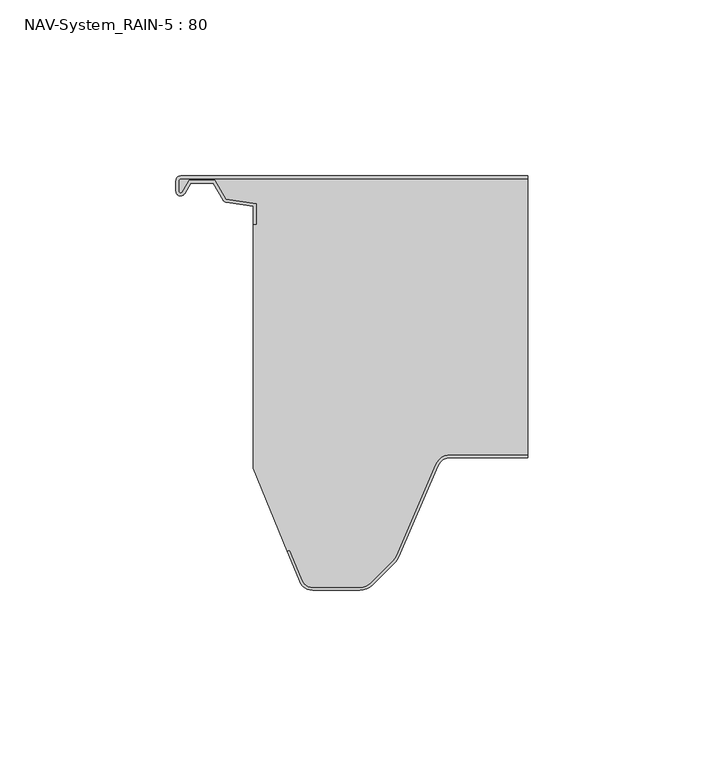
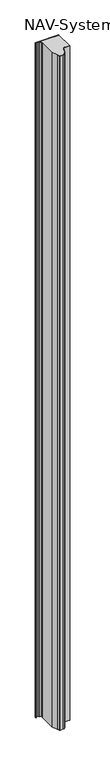
"""IFC4 building model written with IfcOpenShell, lengths in millimetres: plate geometry, NAV-System_RAIN-5 : 80."""

from ifc_helpers import new_model, si_unit, point, frame_2d, origin, origin_with_axes, place, context, project, spatial, polyline, circle_curve, trimmed, segment, composite_curve, outline, extrude, source, transform, mapped, element, save


def nav_system_rain_5_80_36668594(model_context):
    return source(origin(), model_context, "Body", "SweptSolid", [
        extrude(outline(composite_curve([segment(trimmed(circle_curve(frame_2d((-48.7, -1.3)), 0.5), [point((-48.7, -0.8))], [point((-49.2, -1.3))], True, "CARTESIAN"), True, "CONTINUOUS"), segment(polyline([(-49.2, -1.3), (-49.2, -4.3700191)]), True, "CONTINUOUS"), segment(trimmed(circle_curve(frame_2d((-48.7, -4.3700191)), 0.5), [point((-49.2, -4.3700191))], [point((-48.2669873, -4.6200191))], True, "CARTESIAN"), True, "CONTINUOUS"), segment(polyline([(-48.2669873, -4.6200191), (-46.2924383, -1.2), (-38.9841833, -1.2), (-35.8164586, -6.6866602), (-27.2, -7.898332), (-27.2, -13.6767555), (-28.0, -13.6767555), (-28.0, -8.5937048), (-35.6863953, -7.5128213)]), True, "CONTINUOUS"), segment(trimmed(circle_curve(frame_2d((-35.5053666, -6.2254873)), 1.3), [point((-35.6863953, -7.5128213))], [point((-36.6311996, -6.8754873))], False, "CARTESIAN"), True, "CONTINUOUS"), segment(polyline([(-36.6311996, -6.8754873), (-39.4460636, -2.0), (-45.8305581, -2.0), (-47.574167, -5.0200191)]), True, "CONTINUOUS"), segment(trimmed(circle_curve(frame_2d((-48.7, -4.3700191)), 1.3), [point((-47.574167, -5.0200191))], [point((-50.0, -4.3700191))], False, "CARTESIAN"), True, "CONTINUOUS"), segment(polyline([(-50.0, -4.3700191), (-50.0, -1.3)]), True, "CONTINUOUS"), segment(trimmed(circle_curve(frame_2d((-48.7, -1.3)), 1.3), [point((-50.0, -1.3))], [point((-48.7, 0.0))], False, "CARTESIAN"), True, "CONTINUOUS"), segment(polyline([(-48.7, 0.0), (50.0, 0.0), (50.0, -0.8), (-48.7, -0.8)]), True, "CONTINUOUS")], self_intersect=False)), origin_with_axes(), (0.0, 0.0, 1.0), 3000.0),
        extrude(outline(composite_curve([segment(trimmed(circle_curve(frame_2d((28.0709249, -84.0)), 4.8), [point((28.0709249, -79.2))], [point((23.6607271, -82.1052295))], True, "CARTESIAN"), True, "CONTINUOUS"), segment(polyline([(23.6607271, -82.1052295), (12.5754349, -107.9069459)]), True, "CONTINUOUS"), segment(trimmed(circle_curve(frame_2d((8.7165118, -106.2490217)), 4.2), [point((12.5754349, -107.9069459))], [point((11.6863603, -109.2188701))], False, "CARTESIAN"), True, "CONTINUOUS"), segment(polyline([(11.6863603, -109.2188701), (5.235382, -115.6698485)]), True, "CONTINUOUS"), segment(trimmed(circle_curve(frame_2d((2.2655335, -112.7)), 4.2), [point((5.235382, -115.6698485))], [point((2.2655335, -116.9))], False, "CARTESIAN"), True, "CONTINUOUS"), segment(polyline([(2.2655335, -116.9), (-11.1405186, -116.9)]), True, "CONTINUOUS"), segment(trimmed(circle_curve(frame_2d((-11.1405186, -113.7)), 3.2), [point((-11.1405186, -116.9))], [point((-14.1022482, -114.9116756))], False, "CARTESIAN"), True, "CONTINUOUS"), segment(polyline([(-14.1022482, -114.9116756), (-17.6292254, -106.2905951), (-18.3696578, -106.593514), (-28.0, -83.053822), (-28.0, -13.6767555), (-27.2, -13.6767555), (-27.2, -7.898332), (-35.8164586, -6.6866602), (-38.9841833, -1.2), (-46.2924383, -1.2), (-48.2669873, -4.6200191)]), True, "CONTINUOUS"), segment(trimmed(circle_curve(frame_2d((-48.7, -4.3700191)), 0.5), [point((-48.2669873, -4.6200191))], [point((-49.2, -4.3700191))], False, "CARTESIAN"), True, "CONTINUOUS"), segment(polyline([(-49.2, -4.3700191), (-49.2, -1.3)]), True, "CONTINUOUS"), segment(trimmed(circle_curve(frame_2d((-48.7, -1.3)), 0.5), [point((-49.2, -1.3))], [point((-48.7, -0.8))], False, "CARTESIAN"), True, "CONTINUOUS"), segment(polyline([(-48.7, -0.8), (50.0, -0.8), (50.0, -79.2), (28.0709249, -79.2)]), True, "CONTINUOUS")], self_intersect=False)), origin_with_axes(), (0.0, 0.0, 1.0), 3000.0),
        extrude(outline(composite_curve([segment(polyline([(-14.8430228, -115.2145945), (-18.37, -106.593514), (-17.6295676, -106.2905951), (-14.1025904, -114.9116756)]), True, "CONTINUOUS"), segment(trimmed(circle_curve(frame_2d((-11.1408608, -113.7)), 3.2), [point((-14.1025904, -114.9116756))], [point((-11.1408608, -116.9))], True, "CARTESIAN"), True, "CONTINUOUS"), segment(polyline([(-11.1408608, -116.9), (2.2651913, -116.9)]), True, "CONTINUOUS"), segment(trimmed(circle_curve(frame_2d((2.2651913, -112.7)), 4.2), [point((2.2651913, -116.9))], [point((5.2350397, -115.6698485))], True, "CARTESIAN"), True, "CONTINUOUS"), segment(polyline([(5.2350397, -115.6698485), (11.6860181, -109.2188701)]), True, "CONTINUOUS"), segment(trimmed(circle_curve(frame_2d((8.7161696, -106.2490217)), 4.2), [point((11.6860181, -109.2188701))], [point((12.5750927, -107.9069459))], True, "CARTESIAN"), True, "CONTINUOUS"), segment(polyline([(12.5750927, -107.9069459), (23.6603849, -82.1052295)]), True, "CONTINUOUS"), segment(trimmed(circle_curve(frame_2d((28.0705827, -84.0)), 4.8), [point((23.6603849, -82.1052295))], [point((28.0705827, -79.2))], False, "CARTESIAN"), True, "CONTINUOUS"), segment(polyline([(28.0705827, -79.2), (50.0, -79.2), (50.0, -80.0), (28.0705827, -80.0)]), True, "CONTINUOUS"), segment(trimmed(circle_curve(frame_2d((28.0705827, -84.0)), 4.0), [point((28.0705827, -80.0))], [point((24.3954178, -82.4210246))], True, "CARTESIAN"), True, "CONTINUOUS"), segment(polyline([(24.3954178, -82.4210246), (13.3101256, -108.2227409)]), True, "CONTINUOUS"), segment(trimmed(circle_curve(frame_2d((8.7161696, -106.2490217)), 5.0), [point((13.3101256, -108.2227409))], [point((12.2517035, -109.7845556))], False, "CARTESIAN"), True, "CONTINUOUS"), segment(polyline([(12.2517035, -109.7845556), (5.8007252, -116.2355339)]), True, "CONTINUOUS"), segment(trimmed(circle_curve(frame_2d((2.2651913, -112.7)), 5.0), [point((5.8007252, -116.2355339))], [point((2.2651913, -117.7))], False, "CARTESIAN"), True, "CONTINUOUS"), segment(polyline([(2.2651913, -117.7), (-11.1408608, -117.7)]), True, "CONTINUOUS"), segment(trimmed(circle_curve(frame_2d((-11.1408608, -113.7)), 4.0), [point((-11.1408608, -117.7))], [point((-14.8430228, -115.2145945))], False, "CARTESIAN"), True, "CONTINUOUS")], self_intersect=False)), origin_with_axes(), (0.0, 0.0, 1.0), 3000.0),
    ])


if __name__ == "__main__":
    model = new_model("IFC4")
    model_context = context("Model", 3, world=origin())
    ifc_project = project(units=[si_unit("LENGTHUNIT", "METRE", prefix="MILLI")], contexts=[model_context])
    site = spatial("IfcSite", under=ifc_project)
    building = spatial("IfcBuilding", under=site)
    placement = place(None, origin())
    nav_system_rain_5_80_shape = nav_system_rain_5_80_36668594(model_context)
    element("IfcPlate", 1, ObjectType="NAV-System_RAIN-5 : 80", at=placement, inside=building, context=model_context, shape_type="MappedRepresentation", body=[
        mapped(nav_system_rain_5_80_shape, transform((0.0, 0.0, 0.0), x_axis=(1.0, 0.0, 0.0), y_axis=(0.0, 1.0, 0.0), z_axis=(0.0, 0.0, 1.0))),
    ])
    save(model, "model.ifc")
